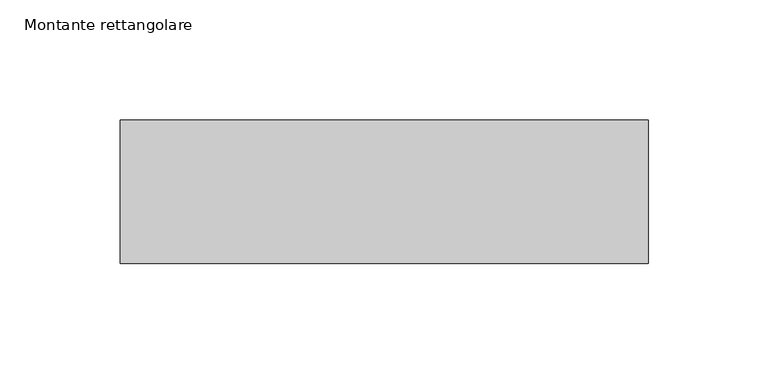
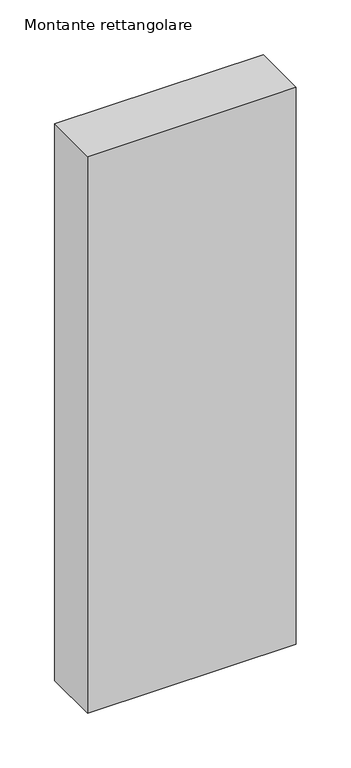
"""IFC4 building model written with IfcOpenShell, lengths in millimetres: member geometry, Montante rettangolare."""

from ifc_helpers import new_model, si_unit, frame, origin, place, context, project, spatial, polyline, outline, extrude, source, transform, mapped, element, save


def montante_rettangolare_142c3289(model_context):
    return source(origin(), model_context, "Body", "SweptSolid", [
        extrude(outline(polyline([(110.0, 30.0), (110.0, -30.0), (-110.0, -30.0), (-110.0, 30.0), (110.0, 30.0)])), frame((0.0, 0.0, -620.0), z_axis=(0.0, 0.0, 1.0), x_axis=(1.0, 0.0, 0.0)), (0.0, 0.0, 1.0), 620.0),
    ])


if __name__ == "__main__":
    model = new_model("IFC4")
    model_context = context("Model", 3, world=origin())
    ifc_project = project(units=[si_unit("LENGTHUNIT", "METRE", prefix="MILLI")], contexts=[model_context])
    site = spatial("IfcSite", under=ifc_project)
    building = spatial("IfcBuilding", under=site)
    placement = place(None, origin())
    montante_rettangolare_shape = montante_rettangolare_142c3289(model_context)
    element("IfcMember", 1, ObjectType="Montante rettangolare", at=placement, inside=building, context=model_context, shape_type="MappedRepresentation", body=[
        mapped(montante_rettangolare_shape, transform((0.0, 0.0, 0.0), x_axis=(1.0, 0.0, 0.0), y_axis=(0.0, 1.0, 0.0), z_axis=(0.0, 0.0, 1.0))),
    ])
    save(model, "model.ifc")
